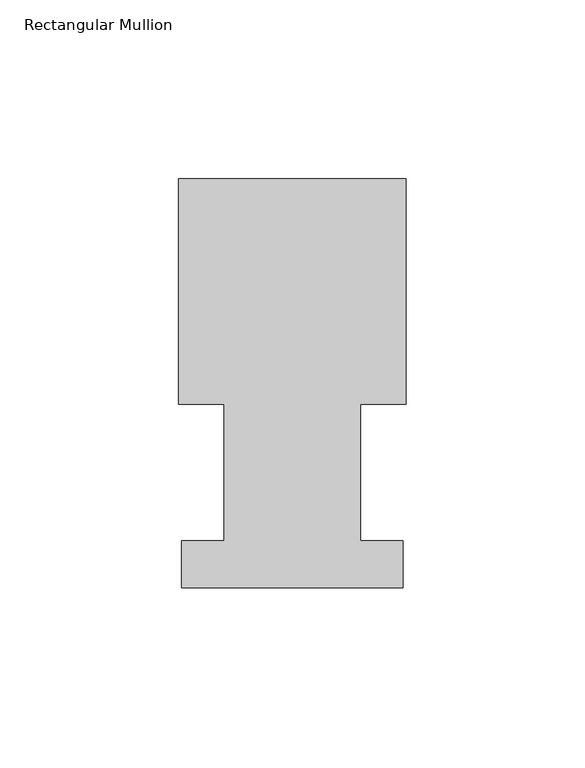
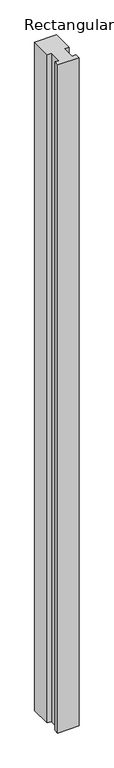
"""IFC4 building model written with IfcOpenShell, lengths in millimetres: member geometry, Rectangular Mullion."""

from ifc_helpers import new_model, si_unit, frame, origin, place, context, project, spatial, polyline, outline, extrude, source, transform, mapped, element, save


def rectangular_mullion_959615ed(model_context):
    return source(origin(), model_context, "Body", "SweptSolid", [
        extrude(outline(polyline([(31.75, 115.5779375), (31.75, 52.5859375), (19.0508044, 52.5859375), (19.0508044, 14.4859375), (30.9626, 14.4859375), (30.9626, 1.2982575), (-30.9626003, 1.2982575), (-30.9626003, 14.4859375), (-19.0508044, 14.4859375), (-19.0508044, 52.5859375), (-31.75, 52.5859375), (-31.75, 115.5779375), (31.75, 115.5779375)])), frame((0.0, 0.0, -2057.4), z_axis=(0.0, 0.0, 1.0), x_axis=(1.0, 0.0, 0.0)), (0.0, 0.0, 1.0), 2057.4),
    ])


if __name__ == "__main__":
    model = new_model("IFC4")
    model_context = context("Model", 3, world=origin())
    ifc_project = project(units=[si_unit("LENGTHUNIT", "METRE", prefix="MILLI")], contexts=[model_context])
    site = spatial("IfcSite", under=ifc_project)
    building = spatial("IfcBuilding", under=site)
    placement = place(None, origin())
    rectangular_mullion_shape = rectangular_mullion_959615ed(model_context)
    element("IfcMember", 1, ObjectType="Rectangular Mullion", at=placement, inside=building, context=model_context, shape_type="MappedRepresentation", body=[
        mapped(rectangular_mullion_shape, transform((0.0, 0.0, 0.0), x_axis=(1.0, 0.0, 0.0), y_axis=(0.0, 1.0, 0.0), z_axis=(0.0, 0.0, 1.0))),
    ])
    save(model, "model.ifc")
